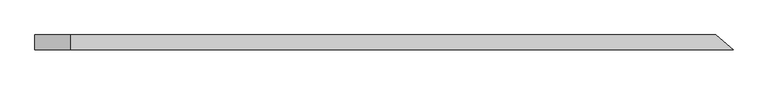
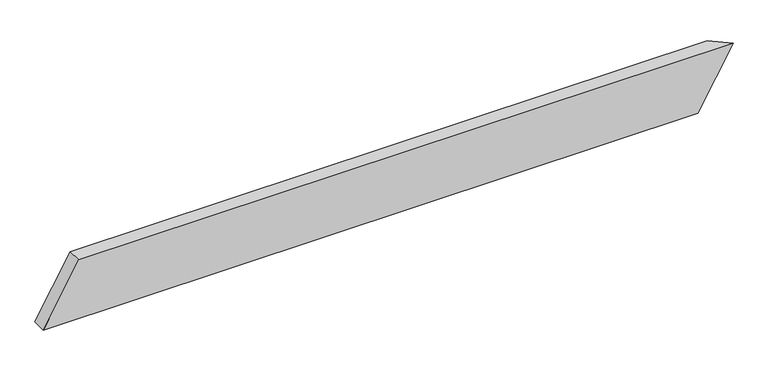
"""IFC4 building model written with IfcOpenShell, lengths in millimetres: beam geometry."""

from ifc_helpers import new_model, si_unit, origin, place, context, project, spatial, faceted_brep, source, transform, mapped, element, save


def beam_3e944d17(model_context):
    return source(origin(), model_context, "Body", "Brep", [
        faceted_brep([(1133.9499199, -24.0, 100.0), (-990.7670531, -24.0, 100.0), (-1106.237107, -24.0, -100.0), (1018.4798661, -24.0, -100.0), (1078.5242941, 24.0, 100.0), (963.0542402, 24.0, -100.0), (-1106.237107, 24.0, -100.0), (-990.7670531, 24.0, 100.0)], [[[0, 1, 2, 3]], [[4, 5, 6, 7]], [[5, 4, 0, 3]], [[6, 5, 3, 2]], [[7, 6, 2, 1]], [[4, 7, 1, 0]]]),
    ])


if __name__ == "__main__":
    model = new_model("IFC4")
    model_context = context("Model", 3, world=origin())
    ifc_project = project(units=[si_unit("LENGTHUNIT", "METRE", prefix="MILLI")], contexts=[model_context])
    site = spatial("IfcSite", under=ifc_project)
    building = spatial("IfcBuilding", under=site)
    placement = place(None, origin())
    beam_shape = beam_3e944d17(model_context)
    element("IfcBeam", 1, at=placement, inside=building, context=model_context, shape_type="MappedRepresentation", body=[
        mapped(beam_shape, transform((0.0, 0.0, 0.0), x_axis=(1.0, 0.0, 0.0), y_axis=(0.0, 1.0, 0.0), z_axis=(0.0, 0.0, 1.0))),
    ])
    save(model, "model.ifc")
